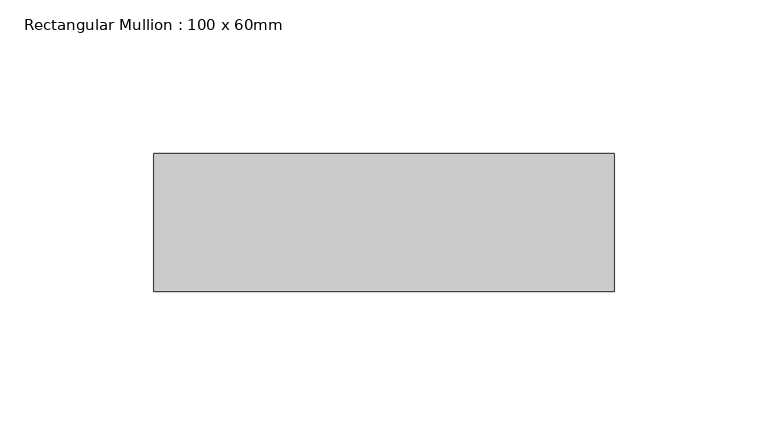
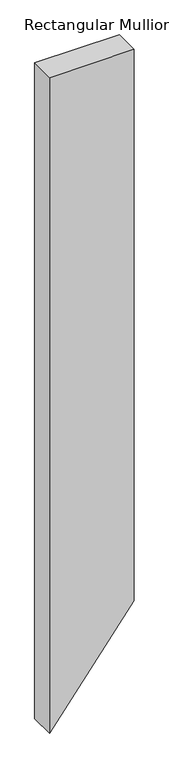
"""IFC4 building model written with IfcOpenShell, lengths in millimetres: member geometry, Rectangular Mullion : 100 x 60mm."""

from ifc_helpers import new_model, si_unit, frame, origin, place, context, project, spatial, polyline, outline, extrude, source, transform, mapped, element, save


def rectangular_mullion_100_x_60mm_082bbbfb(model_context):
    return source(origin(), model_context, "Body", "SweptSolid", [
        extrude(outline(polyline([(0.0, 75.0), (0.0, -75.0), (-1228.2937864, -75.0), (-1032.8099805, 75.0), (0.0, 75.0)])), frame((0.0, -15.0, 0.0), z_axis=(0.0, 1.0, 0.0), x_axis=(0.0, 0.0, 1.0)), (0.0, 0.0, 1.0), 45.0),
    ])


if __name__ == "__main__":
    model = new_model("IFC4")
    model_context = context("Model", 3, world=origin())
    ifc_project = project(units=[si_unit("LENGTHUNIT", "METRE", prefix="MILLI")], contexts=[model_context])
    site = spatial("IfcSite", under=ifc_project)
    building = spatial("IfcBuilding", under=site)
    placement = place(None, origin())
    rectangular_mullion_100_x_60mm_shape = rectangular_mullion_100_x_60mm_082bbbfb(model_context)
    element("IfcMember", 1, ObjectType="Rectangular Mullion : 100 x 60mm", at=placement, inside=building, context=model_context, shape_type="MappedRepresentation", body=[
        mapped(rectangular_mullion_100_x_60mm_shape, transform((0.0, 0.0, 0.0), x_axis=(1.0, 0.0, 0.0), y_axis=(0.0, 1.0, 0.0), z_axis=(0.0, 0.0, 1.0))),
    ])
    save(model, "model.ifc")
